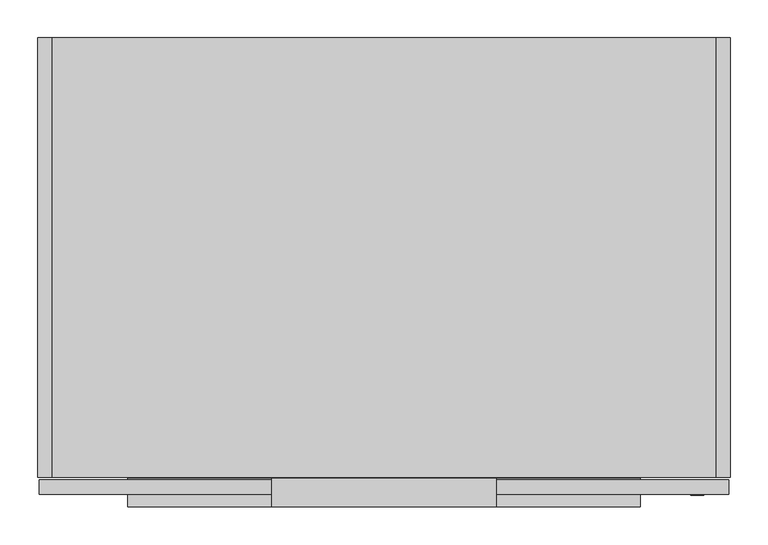
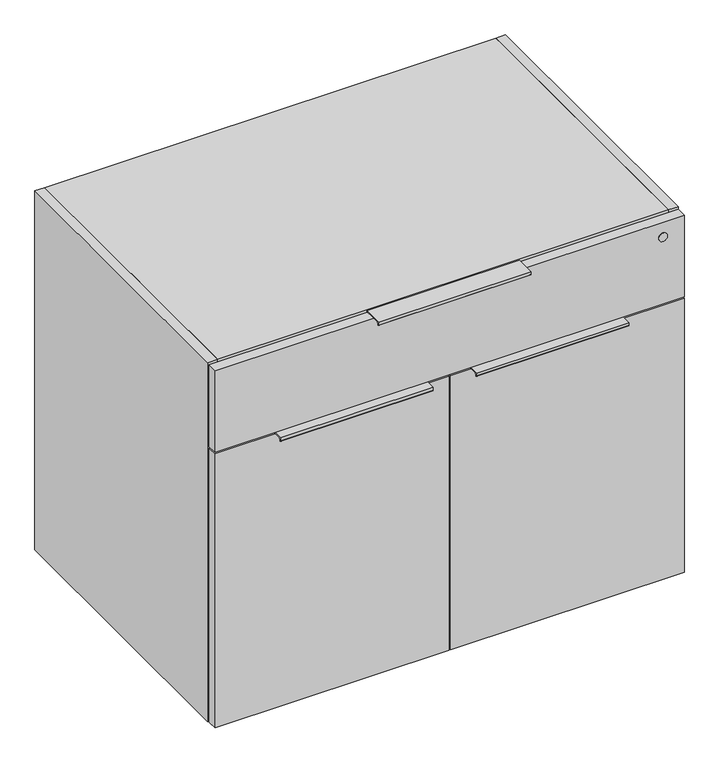
"""IFC4 building model written with IfcOpenShell, lengths in millimetres: furniture geometry."""

from ifc_helpers import new_model, si_unit, point, frame, frame_2d, origin, place, context, project, spatial, polyline, circle_curve, trimmed, segment, composite_curve, outline, extrude, source, transform, mapped, element, save


def furniture_f2a9006d(model_context):
    return source(origin(), model_context, "Body", "SweptSolid", [
        extrude(outline(composite_curve([segment(polyline([(-582.1095617, 665.6592), (-582.1095617, 646.1592), (-584.2, 646.1592), (-584.2, 664.1592), (-616.8685141, 664.1592), (-618.1436358, 659.400381)]), True, "CONTINUOUS"), segment(trimmed(circle_curve(frame_2d((-619.1095617, 659.6592)), 1.0), [point((-618.1436358, 659.400381))], [point((-620.1095617, 659.6592))], False, "CARTESIAN"), True, "CONTINUOUS"), segment(polyline([(-620.1095617, 659.6592), (-620.1095617, 665.6592), (-582.1095617, 665.6592)]), True, "CONTINUOUS")], self_intersect=False)), frame((499.4275, 0.0, 0.0), z_axis=(1.0, 0.0, 0.0), x_axis=(0.0, 1.0, 0.0)), (0.0, 0.0, 1.0), 296.0116),
        extrude(outline(composite_curve([segment(polyline([(-582.1095617, 665.6592), (-582.1095617, 646.1592), (-584.2, 646.1592), (-584.2, 664.1592), (-616.8685141, 664.1592), (-618.1436358, 659.400381)]), True, "CONTINUOUS"), segment(trimmed(circle_curve(frame_2d((-619.1095617, 659.6592)), 1.0), [point((-618.1436358, 659.400381))], [point((-620.1095617, 659.6592))], False, "CARTESIAN"), True, "CONTINUOUS"), segment(polyline([(-620.1095617, 659.6592), (-620.1095617, 665.6592), (-582.1095617, 665.6592)]), True, "CONTINUOUS")], self_intersect=False)), frame((118.9609, 0.0, 0.0), z_axis=(1.0, 0.0, 0.0), x_axis=(0.0, 1.0, 0.0)), (0.0, 0.0, 1.0), 296.0116),
        extrude(outline(polyline([(455.6125, -603.504), (1.5875, -603.504), (1.5875, -584.2), (455.6125, -584.2), (455.6125, -603.504)])), frame((0.0, 0.0, 101.6), z_axis=(0.0, 0.0, 1.0), x_axis=(1.0, 0.0, 0.0)), (0.0, 0.0, 1.0), 562.5592),
        extrude(outline(polyline([(912.8125, -603.504), (458.7875, -603.504), (458.7875, -584.2), (912.8125, -584.2), (912.8125, -603.504)])), frame((0.0, 0.0, 101.6), z_axis=(0.0, 0.0, 1.0), x_axis=(1.0, 0.0, 0.0)), (0.0, 0.0, 1.0), 562.5592),
        extrude(outline(composite_curve([segment(polyline([(-582.1095617, 836.525), (-582.1095617, 817.025), (-584.2, 817.025), (-584.2, 835.025), (-616.8685141, 835.025), (-618.1436358, 830.266181)]), True, "CONTINUOUS"), segment(trimmed(circle_curve(frame_2d((-619.1095617, 830.525)), 1.0), [point((-618.1436358, 830.266181))], [point((-620.1095617, 830.525))], False, "CARTESIAN"), True, "CONTINUOUS"), segment(polyline([(-620.1095617, 830.525), (-620.1095617, 836.525), (-582.1095617, 836.525)]), True, "CONTINUOUS")], self_intersect=False)), frame((309.1942, 0.0, 0.0), z_axis=(1.0, 0.0, 0.0), x_axis=(0.0, 1.0, 0.0)), (0.0, 0.0, 1.0), 296.0116),
        extrude(outline(polyline([(895.096, 0.0), (895.096, -19.304), (19.304, -19.304), (19.304, 0.0), (895.096, 0.0)])), frame((0.0, 0.0, 101.6), z_axis=(0.0, 0.0, 1.0), x_axis=(1.0, 0.0, 0.0)), (0.0, 0.0, 1.0), 717.296),
        extrude(outline(polyline([(895.096, -581.025), (19.304, -581.025), (19.304, -19.304), (895.096, -19.304), (895.096, -581.025)])), frame((0.0, 0.0, 101.6), z_axis=(0.0, 0.0, 1.0), x_axis=(1.0, 0.0, 0.0)), (0.0, 0.0, 1.0), 19.304),
        extrude(outline(polyline([(895.096, -581.025), (19.304, -581.025), (19.304, 0.0), (895.096, 0.0), (895.096, -581.025)])), frame((0.0, 0.0, 818.896), z_axis=(0.0, 0.0, 1.0), x_axis=(1.0, 0.0, 0.0)), (0.0, 0.0, 1.0), 19.304),
        extrude(outline(polyline([(19.304, 0.0), (19.304, -581.025), (0.0, -581.025), (0.0, 0.0), (19.304, 0.0)])), frame((0.0, 0.0, 101.6), z_axis=(0.0, 0.0, 1.0), x_axis=(1.0, 0.0, 0.0)), (0.0, 0.0, 1.0), 736.6),
        extrude(outline(polyline([(895.096, 0.0), (914.4, 0.0), (914.4, -581.025), (895.096, -581.025), (895.096, 0.0)])), frame((0.0, 0.0, 101.6), z_axis=(0.0, 0.0, 1.0), x_axis=(1.0, 0.0, 0.0)), (0.0, 0.0, 1.0), 736.6),
        extrude(outline(polyline([(912.8125, -603.504), (1.5875, -603.504), (1.5875, -584.2), (912.8125, -584.2), (912.8125, -603.504)])), frame((0.0, 0.0, 667.3342), z_axis=(0.0, 0.0, 1.0), x_axis=(1.0, 0.0, 0.0)), (0.0, 0.0, 1.0), 167.6908),
        extrude(outline(composite_curve([segment(trimmed(circle_curve(frame_2d((805.18, 870.9025)), 8.4455), [point((805.18, 879.348))], [point((805.18, 862.457))], False, "CARTESIAN"), True, "CONTINUOUS"), segment(trimmed(circle_curve(frame_2d((805.18, 870.9025)), 8.4455), [point((805.18, 862.457))], [point((805.18, 879.348))], False, "CARTESIAN"), True, "CONTINUOUS")], self_intersect=False)), frame((0.0, -605.0915, 0.0), z_axis=(0.0, 1.0, 0.0), x_axis=(0.0, 0.0, 1.0)), (0.0, 0.0, 1.0), 1.5875),
    ])


if __name__ == "__main__":
    model = new_model("IFC4")
    model_context = context("Model", 3, world=origin())
    ifc_project = project(units=[si_unit("LENGTHUNIT", "METRE", prefix="MILLI")], contexts=[model_context])
    site = spatial("IfcSite", under=ifc_project)
    building = spatial("IfcBuilding", under=site)
    placement = place(None, origin())
    furniture_shape = furniture_f2a9006d(model_context)
    element("IfcFurniture", 1, at=placement, inside=building, context=model_context, shape_type="MappedRepresentation", body=[
        mapped(furniture_shape, transform((0.0, 0.0, 0.0), x_axis=(1.0, 0.0, 0.0), y_axis=(0.0, 1.0, 0.0), z_axis=(0.0, 0.0, 1.0))),
    ])
    save(model, "model.ifc")
